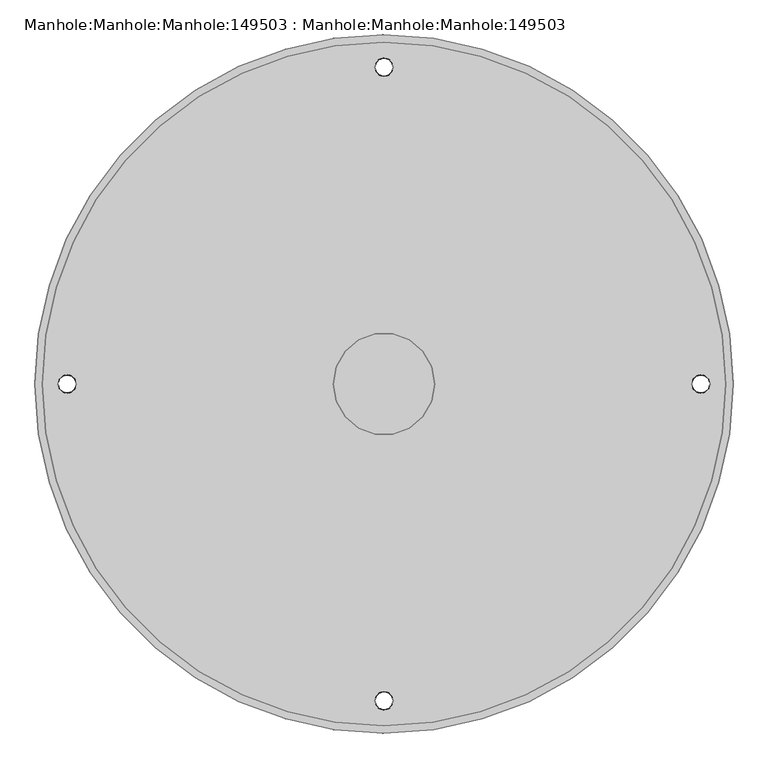
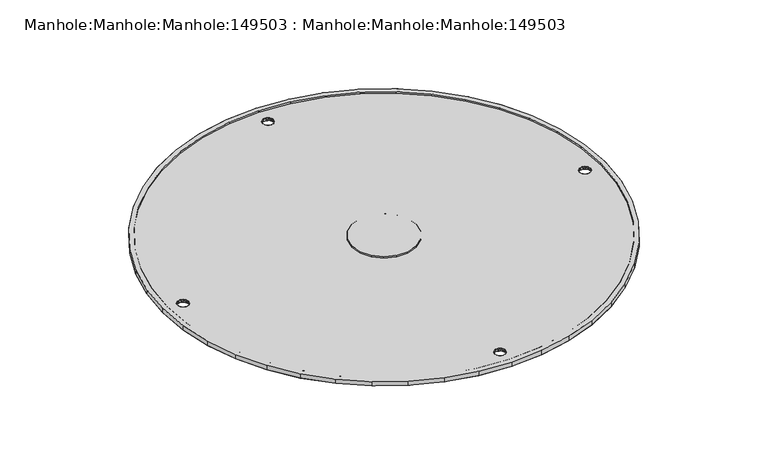
"""IFC4 building model written with IfcOpenShell, lengths in millimetres: proxy geometry, Manhole:Manhole:Manhole:149503 : Manhole:Manhole:Manhole:149503."""

from ifc_helpers import new_model, si_unit, origin, place, context, project, spatial, triangles, source, transform, mapped, element, save


def manhole_manhole_manhole_149503_manhole_manhole_manhole_0952df4f(model_context):
    return source(origin(), model_context, "Body", "Tessellation", [
        triangles([(-93507.5947266, 100197.7538086, 238631.2574707), (-93513.798999, 100284.5113037, 238631.2574707), (-93532.2908936, 100369.5014648, 238631.2574707), (-93562.6797363, 100450.994165, 238631.2574707), (-93604.3702148, 100527.3336914, 238631.2574707), (-93656.4879639, 100596.9573486, 238631.2574707), (-93717.9911865, 100658.4605713, 238631.2574707), (-93787.6241455, 100710.5876221, 238631.2574707), (-93863.9543701, 100752.2687988, 238631.2574707), (-93945.4470703, 100782.6669434, 238631.2574707), (-94030.4372314, 100801.1495361, 238631.2574707), (-94117.1947266, 100807.3538086, 238631.2574707), (-94203.9522217, 100801.1495361, 238631.2574707), (-94288.9423828, 100782.6669434, 238631.2574707), (-94370.435083, 100752.2687988, 238631.2574707), (-94446.7746094, 100710.5876221, 238631.2574707), (-94516.3982666, 100658.4605713, 238631.2574707), (-94577.9014893, 100596.9573486, 238631.2574707), (-94630.0192383, 100527.3336914, 238631.2574707), (-94671.7097168, 100450.994165, 238631.2574707), (-94702.0985596, 100369.5014648, 238631.2574707), (-94720.5904541, 100284.5113037, 238631.2574707), (-94726.7947266, 100197.7538086, 238631.2574707), (-94720.5904541, 100110.9963135, 238631.2574707), (-94702.0985596, 100026.0154541, 238631.2574707), (-94671.7097168, 99944.5227539, 238631.2574707), (-94630.0192383, 99868.1832275, 238631.2574707), (-94577.9014893, 99798.5502686, 238631.2574707), (-94516.3982666, 99737.0470459, 238631.2574707), (-94446.7746094, 99684.9292969, 238631.2574707), (-94370.435083, 99643.2481201, 238631.2574707), (-94288.9423828, 99612.8499756, 238631.2574707), (-94203.9522217, 99594.3580811, 238631.2574707), (-94117.1947266, 99588.1538086, 238631.2574707), (-94030.4372314, 99594.3580811, 238631.2574707), (-93945.4470703, 99612.8499756, 238631.2574707), (-93863.9543701, 99643.2481201, 238631.2574707), (-93787.6241455, 99684.9292969, 238631.2574707), (-93717.9911865, 99737.0470459, 238631.2574707), (-93656.4879639, 99798.5502686, 238631.2574707), (-93604.3702148, 99868.1832275, 238631.2574707), (-93562.6797363, 99944.5227539, 238631.2574707), (-93532.2908936, 100026.0154541, 238631.2574707), (-93513.798999, 100110.9963135, 238631.2574707), (-94714.0978271, 100197.7538086, 238631.2574707), (-94708.0237793, 100282.7067627, 238631.2574707), (-94689.9132568, 100365.9202881, 238631.2574707), (-94660.1569336, 100445.7200684, 238631.2574707), (-94619.3408203, 100520.4596924, 238631.2574707), (-94568.3020752, 100588.6415771, 238631.2574707), (-94508.0824951, 100648.8611572, 238631.2574707), (-94439.9006104, 100699.8999023, 238631.2574707), (-94365.1609863, 100740.7160156, 238631.2574707), (-94285.3612061, 100770.4723389, 238631.2574707), (-94202.1476807, 100788.5828613, 238631.2574707), (-94117.1947266, 100794.6569092, 238631.2574707), (-94032.2510742, 100788.5828613, 238631.2574707), (-93949.0282471, 100770.4723389, 238631.2574707), (-93869.2377686, 100740.7160156, 238631.2574707), (-93794.4888428, 100699.8999023, 238631.2574707), (-93726.306958, 100648.8611572, 238631.2574707), (-93666.0873779, 100588.6415771, 238631.2574707), (-93615.0486328, 100520.4596924, 238631.2574707), (-93574.2325195, 100445.7200684, 238631.2574707), (-93544.4761963, 100365.9202881, 238631.2574707), (-93526.3749756, 100282.7067627, 238631.2574707), (-93520.291626, 100197.7538086, 238631.2574707), (-93526.3749756, 100112.8101563, 238631.2574707), (-93544.4761963, 100029.5873291, 238631.2574707), (-93574.2325195, 99949.7968506, 238631.2574707), (-93615.0486328, 99875.0479248, 238631.2574707), (-93666.0873779, 99806.86604, 238631.2574707), (-93726.306958, 99746.64646, 238631.2574707), (-93794.4888428, 99695.6077148, 238631.2574707), (-93869.2377686, 99654.7916016, 238631.2574707), (-93949.0282471, 99625.0352783, 238631.2574707), (-94032.2510742, 99606.9340576, 238631.2574707), (-94117.1947266, 99600.8600098, 238631.2574707), (-94202.1476807, 99606.9340576, 238631.2574707), (-94285.3612061, 99625.0352783, 238631.2574707), (-94365.1609863, 99654.7916016, 238631.2574707), (-94439.9006104, 99695.6077148, 238631.2574707), (-94508.0824951, 99746.64646, 238631.2574707), (-94568.3020752, 99806.86604, 238631.2574707), (-94619.3408203, 99875.0479248, 238631.2574707), (-94660.1569336, 99949.7968506, 238631.2574707), (-94689.9132568, 100029.5873291, 238631.2574707), (-94708.0237793, 100112.8101563, 238631.2574707), (-94206.091626, 100197.7538086, 238631.2574707), (-94200.7338135, 100167.3463623, 238631.2574707), (-94185.2928955, 100140.6131104, 238631.2574707), (-94161.6478271, 100120.7631592, 238631.2574707), (-94132.6356445, 100110.2056641, 238631.2574707), (-94101.7538086, 100110.2056641, 238631.2574707), (-94072.741626, 100120.7631592, 238631.2574707), (-94049.0965576, 100140.6131104, 238631.2574707), (-94033.6556396, 100167.3463623, 238631.2574707), (-94028.2978271, 100197.7538086, 238631.2574707), (-94033.6556396, 100228.1612549, 238631.2574707), (-94049.0965576, 100254.9038086, 238631.2574707), (-94072.741626, 100274.744458, 238631.2574707), (-94101.7538086, 100285.3019531, 238631.2574707), (-94132.6356445, 100285.3019531, 238631.2574707), (-94161.6478271, 100274.744458, 238631.2574707), (-94185.2928955, 100254.9038086, 238631.2574707), (-94200.7338135, 100228.1612549, 238631.2574707), (-93507.5947266, 100197.7538086, 238618.5512695), (-93513.798999, 100110.9963135, 238618.5512695), (-93532.2908936, 100026.0154541, 238618.5512695), (-93562.6797363, 99944.5227539, 238618.5512695), (-93604.3702148, 99868.1832275, 238618.5512695), (-93656.4879639, 99798.5502686, 238618.5512695), (-93717.9911865, 99737.0470459, 238618.5512695), (-93787.6241455, 99684.9292969, 238618.5512695), (-93863.9543701, 99643.2481201, 238618.5512695), (-93945.4470703, 99612.8499756, 238618.5512695), (-94030.4372314, 99594.3580811, 238618.5512695), (-94117.1947266, 99588.1538086, 238618.5512695), (-94203.9522217, 99594.3580811, 238618.5512695), (-94288.9423828, 99612.8499756, 238618.5512695), (-94370.435083, 99643.2481201, 238618.5512695), (-94446.7746094, 99684.9292969, 238618.5512695), (-94516.3982666, 99737.0470459, 238618.5512695), (-94577.9014893, 99798.5502686, 238618.5512695), (-94630.0192383, 99868.1832275, 238618.5512695), (-94671.7097168, 99944.5227539, 238618.5512695), (-94702.0985596, 100026.0154541, 238618.5512695), (-94720.5904541, 100110.9963135, 238618.5512695), (-94726.7947266, 100197.7538086, 238618.5512695), (-94720.5904541, 100284.5113037, 238618.5512695), (-94702.0985596, 100369.5014648, 238618.5512695), (-94671.7097168, 100450.994165, 238618.5512695), (-94630.0192383, 100527.3336914, 238618.5512695), (-94577.9014893, 100596.9573486, 238618.5512695), (-94516.3982666, 100658.4605713, 238618.5512695), (-94446.7746094, 100710.5876221, 238618.5512695), (-94370.435083, 100752.2687988, 238618.5512695), (-94288.9423828, 100782.6669434, 238618.5512695), (-94203.9522217, 100801.1495361, 238618.5512695), (-94117.1947266, 100807.3538086, 238618.5512695), (-94030.4372314, 100801.1495361, 238618.5512695), (-93945.4470703, 100782.6669434, 238618.5512695), (-93863.9543701, 100752.2687988, 238618.5512695), (-93787.6241455, 100710.5876221, 238618.5512695), (-93717.9911865, 100658.4605713, 238618.5512695), (-93656.4879639, 100596.9573486, 238618.5512695), (-93604.3702148, 100527.3336914, 238618.5512695), (-93562.6797363, 100450.994165, 238618.5512695), (-93532.2908936, 100369.5014648, 238618.5512695), (-93513.798999, 100284.5113037, 238618.5512695), (-94101.1864014, 99644.4108398, 238618.5512695), (-94102.7677002, 99651.3592529, 238618.5512695), (-94107.2139404, 99656.9217041, 238618.5512695), (-94113.6321533, 99660.0191895, 238618.5512695), (-94120.7572998, 99660.0191895, 238618.5512695), (-94127.1755127, 99656.9217041, 238618.5512695), (-94131.6217529, 99651.3592529, 238618.5512695), (-94133.2030518, 99644.4108398, 238618.5512695), (-94131.6217529, 99637.4624268, 238618.5512695), (-94127.1755127, 99631.8906738, 238618.5512695), (-94120.7572998, 99628.8024902, 238618.5512695), (-94113.6321533, 99628.8024902, 238618.5512695), (-94107.2139404, 99631.8906738, 238618.5512695), (-94102.7677002, 99637.4624268, 238618.5512695), (-94101.1864014, 100751.1060791, 238618.5512695), (-94102.7677002, 100758.0451904, 238618.5512695), (-94107.2139404, 100763.6169434, 238618.5512695), (-94113.6321533, 100766.7144287, 238618.5512695), (-94120.7572998, 100766.7144287, 238618.5512695), (-94127.1755127, 100763.6169434, 238618.5512695), (-94131.6217529, 100758.0451904, 238618.5512695), (-94133.2030518, 100751.1060791, 238618.5512695), (-94131.6217529, 100744.157666, 238618.5512695), (-94127.1755127, 100738.5859131, 238618.5512695), (-94120.7572998, 100735.4884277, 238618.5512695), (-94113.6321533, 100735.4884277, 238618.5512695), (-94107.2139404, 100738.5859131, 238618.5512695), (-94102.7677002, 100744.157666, 238618.5512695), (-94654.5293701, 100197.7538086, 238618.5512695), (-94656.1199707, 100204.7022217, 238618.5512695), (-94660.5569092, 100210.2739746, 238618.5512695), (-94666.9751221, 100213.3621582, 238618.5512695), (-94674.1002686, 100213.3621582, 238618.5512695), (-94680.5277832, 100210.2739746, 238618.5512695), (-94684.9647217, 100204.7022217, 238618.5512695), (-94686.5553223, 100197.7538086, 238618.5512695), (-94684.9647217, 100190.8053955, 238618.5512695), (-94680.5277832, 100185.2336426, 238618.5512695), (-94674.1002686, 100182.145459, 238618.5512695), (-94666.9751221, 100182.145459, 238618.5512695), (-94660.5569092, 100185.2336426, 238618.5512695), (-94656.1199707, 100190.8053955, 238618.5512695), (-93579.860083, 100197.7538086, 238618.5512695), (-93578.2694824, 100190.8053955, 238618.5512695), (-93573.8325439, 100185.2336426, 238618.5512695), (-93567.4143311, 100182.145459, 238618.5512695), (-93560.2891846, 100182.145459, 238618.5512695), (-93553.8616699, 100185.2336426, 238618.5512695), (-93549.4247314, 100190.8053955, 238618.5512695), (-93547.8341309, 100197.7538086, 238618.5512695), (-93549.4247314, 100204.7022217, 238618.5512695), (-93553.8616699, 100210.2739746, 238618.5512695), (-93560.2891846, 100213.3621582, 238618.5512695), (-93567.4143311, 100213.3621582, 238618.5512695), (-93573.8325439, 100210.2739746, 238618.5512695), (-93578.2694824, 100204.7022217, 238618.5512695), (-94132.1333496, 99648.4105957, 238626.4949707), (-94131.0636475, 99652.4103516, 238626.4949707), (-94106.2558594, 99655.3404053, 238626.4949707), (-94104.9908203, 99654.1404785, 238618.5512695), (-94129.3986328, 99654.1404785, 238618.5512695), (-94132.4124023, 99647.8803955, 238618.5512695), (-94133.2030518, 99644.4108398, 238626.4949707), (-94102.2561035, 99648.4105957, 238626.4949707), (-94101.9770508, 99647.8803955, 238618.5512695), (-94101.1864014, 99644.4108398, 238626.4949707), (-94125.20354, 99658.270459, 238626.4949707), (-94128.1335937, 99655.3404053, 238626.4949707), (-94117.1947266, 99660.419165, 238626.4949707), (-94117.1947266, 99660.0191895, 238618.5512695), (-94110.4230469, 99658.4750977, 238618.5512695), (-94109.1859131, 99658.270459, 238626.4949707), (-94113.1949707, 99659.3494629, 238626.4949707), (-94121.1944824, 99659.3494629, 238626.4949707), (-94123.9664063, 99658.4750977, 238618.5512695), (-94103.3258057, 99652.4103516, 238626.4949707), (-94103.3258057, 99636.4020264, 238626.4949707), (-94102.2561035, 99640.4017822, 238626.4949707), (-94129.3986328, 99634.6718994, 238618.5512695), (-94128.1335937, 99633.4719727, 238626.4949707), (-94104.9908203, 99634.6718994, 238618.5512695), (-94101.9770508, 99640.9319824, 238618.5512695), (-94132.4124023, 99640.9319824, 238618.5512695), (-94132.1333496, 99640.4017822, 238626.4949707), (-94106.2558594, 99633.4719727, 238626.4949707), (-94109.1859131, 99630.5419189, 238626.4949707), (-94117.1947266, 99628.8024902, 238618.5512695), (-94117.1947266, 99628.4025146, 238626.4949707), (-94125.20354, 99630.5419189, 238626.4949707), (-94123.9664063, 99630.346582, 238618.5512695), (-94121.1944824, 99629.4722168, 238626.4949707), (-94113.1949707, 99629.4722168, 238626.4949707), (-94110.4230469, 99630.346582, 238618.5512695), (-94131.0636475, 99636.4020264, 238626.4949707), (-94131.0636475, 100759.1055908, 238626.4949707), (-94132.1333496, 100755.105835, 238626.4949707), (-94104.9908203, 100760.8357178, 238618.5512695), (-94106.2558594, 100762.0356445, 238626.4949707), (-94129.3986328, 100760.8357178, 238618.5512695), (-94133.2030518, 100751.1060791, 238626.4949707), (-94132.4124023, 100754.5756348, 238618.5512695), (-94101.1864014, 100751.1060791, 238626.4949707), (-94101.9770508, 100754.5756348, 238618.5512695), (-94102.2561035, 100755.105835, 238626.4949707), (-94128.1335937, 100762.0356445, 238626.4949707), (-94125.20354, 100764.9656982, 238626.4949707), (-94117.1947266, 100766.7144287, 238618.5512695), (-94117.1947266, 100767.1144043, 238626.4949707), (-94109.1859131, 100764.9656982, 238626.4949707), (-94110.4230469, 100765.1610352, 238618.5512695), (-94113.1949707, 100766.0447021, 238626.4949707), (-94121.1944824, 100766.0447021, 238626.4949707), (-94123.9664063, 100765.1610352, 238618.5512695), (-94103.3258057, 100759.1055908, 238626.4949707), (-94102.2561035, 100747.0970215, 238626.4949707), (-94103.3258057, 100743.0972656, 238626.4949707), (-94128.1335937, 100740.1672119, 238626.4949707), (-94129.3986328, 100741.3671387, 238618.5512695), (-94104.9908203, 100741.3671387, 238618.5512695), (-94101.9770508, 100747.6272217, 238618.5512695), (-94132.1333496, 100747.0970215, 238626.4949707), (-94132.4124023, 100747.6272217, 238618.5512695), (-94109.1859131, 100737.2371582, 238626.4949707), (-94106.2558594, 100740.1672119, 238626.4949707), (-94117.1947266, 100735.0884521, 238626.4949707), (-94117.1947266, 100735.4884277, 238618.5512695), (-94123.9664063, 100737.0418213, 238618.5512695), (-94125.20354, 100737.2371582, 238626.4949707), (-94121.1944824, 100736.1674561, 238626.4949707), (-94113.1949707, 100736.1674561, 238626.4949707), (-94110.4230469, 100737.0418213, 238618.5512695), (-94131.0636475, 100743.0972656, 238626.4949707), (-94684.4066162, 100205.7626221, 238626.4949707), (-94685.4763184, 100201.7535645, 238626.4949707), (-94659.6081299, 100208.6926758, 238626.4949707), (-94658.3337891, 100207.4834473, 238618.5512695), (-94682.7416016, 100207.4834473, 238618.5512695), (-94686.5553223, 100197.7538086, 238626.4949707), (-94685.7553711, 100201.232666, 238618.5512695), (-94655.608374, 100201.7535645, 238626.4949707), (-94655.3200195, 100201.232666, 238618.5512695), (-94654.5293701, 100197.7538086, 238626.4949707), (-94681.4765625, 100208.6926758, 238626.4949707), (-94678.5465088, 100211.6227295, 238626.4949707), (-94670.5376953, 100213.3621582, 238618.5512695), (-94670.5376953, 100213.7621338, 238626.4949707), (-94663.7660156, 100211.8180664, 238618.5512695), (-94662.5381836, 100211.6227295, 238626.4949707), (-94666.5379395, 100212.6924316, 238626.4949707), (-94674.5467529, 100212.6924316, 238626.4949707), (-94677.3186768, 100211.8180664, 238618.5512695), (-94656.6780762, 100205.7626221, 238626.4949707), (-94655.608374, 100193.7540527, 238626.4949707), (-94656.6780762, 100189.7542969, 238626.4949707), (-94682.7416016, 100188.0241699, 238618.5512695), (-94681.4765625, 100186.8242432, 238626.4949707), (-94658.3337891, 100188.0241699, 238618.5512695), (-94655.3200195, 100194.2842529, 238618.5512695), (-94685.7553711, 100194.2842529, 238618.5512695), (-94685.4763184, 100193.7540527, 238626.4949707), (-94662.5381836, 100183.8941895, 238626.4949707), (-94659.6081299, 100186.8242432, 238626.4949707), (-94670.5376953, 100182.145459, 238618.5512695), (-94670.5376953, 100181.7454834, 238626.4949707), (-94678.5465088, 100183.8941895, 238626.4949707), (-94677.3186768, 100183.6895508, 238618.5512695), (-94674.5467529, 100182.8151855, 238626.4949707), (-94666.5379395, 100182.8151855, 238626.4949707), (-94663.7660156, 100183.6895508, 238618.5512695), (-94684.4066162, 100189.7542969, 238626.4949707), (-93549.9828369, 100189.7542969, 238626.4949707), (-93548.9131348, 100193.7540527, 238626.4949707), (-93574.7813232, 100186.8242432, 238626.4949707), (-93576.0556641, 100188.0241699, 238618.5512695), (-93551.6478516, 100188.0241699, 238618.5512695), (-93547.8341309, 100197.7538086, 238626.4949707), (-93548.634082, 100194.2842529, 238618.5512695), (-93578.7903809, 100193.7540527, 238626.4949707), (-93579.0694336, 100194.2842529, 238618.5512695), (-93579.860083, 100197.7538086, 238626.4949707), (-93552.9128906, 100186.8242432, 238626.4949707), (-93555.8429443, 100183.8941895, 238626.4949707), (-93563.8517578, 100182.145459, 238618.5512695), (-93563.8517578, 100181.7454834, 238626.4949707), (-93570.6234375, 100183.6895508, 238618.5512695), (-93571.8512695, 100183.8941895, 238626.4949707), (-93567.8515137, 100182.8151855, 238626.4949707), (-93559.8427002, 100182.8151855, 238626.4949707), (-93557.0800781, 100183.6895508, 238618.5512695), (-93577.711377, 100189.7542969, 238626.4949707), (-93578.7903809, 100201.7535645, 238626.4949707), (-93577.711377, 100205.7626221, 238626.4949707), (-93551.6478516, 100207.4834473, 238618.5512695), (-93552.9128906, 100208.6926758, 238626.4949707), (-93576.0556641, 100207.4834473, 238618.5512695), (-93579.0694336, 100201.232666, 238618.5512695), (-93548.634082, 100201.232666, 238618.5512695), (-93548.9131348, 100201.7535645, 238626.4949707), (-93571.8512695, 100211.6227295, 238626.4949707), (-93574.7813232, 100208.6926758, 238626.4949707), (-93563.8517578, 100213.3621582, 238618.5512695), (-93563.8517578, 100213.7621338, 238626.4949707), (-93555.8429443, 100211.6227295, 238626.4949707), (-93557.0800781, 100211.8180664, 238618.5512695), (-93559.8427002, 100212.6924316, 238626.4949707), (-93567.8515137, 100212.6924316, 238626.4949707), (-93570.6234375, 100211.8180664, 238618.5512695), (-93549.9828369, 100205.7626221, 238626.4949707), (-93520.291626, 100197.7538086, 238626.4949707), (-93526.3749756, 100282.7067627, 238626.4949707), (-93544.4761963, 100365.9202881, 238626.4949707), (-93574.2325195, 100445.7200684, 238626.4949707), (-93615.0486328, 100520.4596924, 238626.4949707), (-93666.0873779, 100588.6415771, 238626.4949707), (-93726.306958, 100648.8611572, 238626.4949707), (-93794.4888428, 100699.8999023, 238626.4949707), (-93869.2377686, 100740.7160156, 238626.4949707), (-93949.0282471, 100770.4723389, 238626.4949707), (-94032.2510742, 100788.5828613, 238626.4949707), (-94117.1947266, 100794.6569092, 238626.4949707), (-94202.1476807, 100788.5828613, 238626.4949707), (-94285.3612061, 100770.4723389, 238626.4949707), (-94365.1609863, 100740.7160156, 238626.4949707), (-94439.9006104, 100699.8999023, 238626.4949707), (-94508.0824951, 100648.8611572, 238626.4949707), (-94568.3020752, 100588.6415771, 238626.4949707), (-94619.3408203, 100520.4596924, 238626.4949707), (-94660.1569336, 100445.7200684, 238626.4949707), (-94689.9132568, 100365.9202881, 238626.4949707), (-94708.0237793, 100282.7067627, 238626.4949707), (-94714.0978271, 100197.7538086, 238626.4949707), (-94708.0237793, 100112.8101563, 238626.4949707), (-94689.9132568, 100029.5873291, 238626.4949707), (-94660.1569336, 99949.7968506, 238626.4949707), (-94619.3408203, 99875.0479248, 238626.4949707), (-94568.3020752, 99806.86604, 238626.4949707), (-94508.0824951, 99746.64646, 238626.4949707), (-94439.9006104, 99695.6077148, 238626.4949707), (-94365.1609863, 99654.7916016, 238626.4949707), (-94285.3612061, 99625.0352783, 238626.4949707), (-94202.1476807, 99606.9340576, 238626.4949707), (-94117.1947266, 99600.8600098, 238626.4949707), (-94032.2510742, 99606.9340576, 238626.4949707), (-93949.0282471, 99625.0352783, 238626.4949707), (-93869.2377686, 99654.7916016, 238626.4949707), (-93794.4888428, 99695.6077148, 238626.4949707), (-93726.306958, 99746.64646, 238626.4949707), (-93666.0873779, 99806.86604, 238626.4949707), (-93615.0486328, 99875.0479248, 238626.4949707), (-93574.2325195, 99949.7968506, 238626.4949707), (-93544.4761963, 100029.5873291, 238626.4949707), (-93526.3749756, 100112.8101563, 238626.4949707), (-94028.2978271, 100197.7538086, 238626.4949707), (-94033.6556396, 100167.3463623, 238626.4949707), (-94049.0965576, 100140.6131104, 238626.4949707), (-94072.741626, 100120.7631592, 238626.4949707), (-94101.7538086, 100110.2056641, 238626.4949707), (-94132.6356445, 100110.2056641, 238626.4949707), (-94161.6478271, 100120.7631592, 238626.4949707), (-94185.2928955, 100140.6131104, 238626.4949707), (-94200.7338135, 100167.3463623, 238626.4949707), (-94206.091626, 100197.7538086, 238626.4949707), (-94200.7338135, 100228.1612549, 238626.4949707), (-94185.2928955, 100254.9038086, 238626.4949707), (-94161.6478271, 100274.744458, 238626.4949707), (-94132.6356445, 100285.3019531, 238626.4949707), (-94101.7538086, 100285.3019531, 238626.4949707), (-94072.741626, 100274.744458, 238626.4949707), (-94049.0965576, 100254.9038086, 238626.4949707), (-94033.6556396, 100228.1612549, 238626.4949707)], [[38, 74, 75], [74, 38, 39], [39, 40, 73], [39, 73, 74], [35, 36, 77], [77, 36, 76], [35, 77, 78], [76, 37, 75], [37, 76, 36], [75, 37, 38], [73, 40, 72], [43, 44, 68], [44, 67, 68], [67, 44, 1], [67, 1, 66], [43, 68, 69], [72, 41, 71], [41, 72, 40], [71, 41, 42], [42, 69, 70], [69, 42, 43], [42, 70, 71], [33, 34, 79], [79, 80, 33], [78, 79, 34], [34, 35, 78], [33, 80, 32], [32, 81, 31], [81, 32, 80], [31, 81, 82], [29, 30, 83], [82, 30, 31], [82, 83, 30], [84, 29, 83], [29, 84, 28], [85, 27, 28], [27, 85, 86], [85, 28, 84], [25, 26, 87], [86, 26, 27], [87, 26, 86], [88, 24, 25], [24, 88, 45], [88, 25, 87], [66, 2, 65], [2, 66, 1], [64, 65, 3], [3, 65, 2], [64, 3, 4], [4, 63, 64], [63, 4, 5], [63, 5, 62], [62, 6, 61], [6, 62, 5], [61, 6, 7], [60, 7, 8], [8, 9, 59], [59, 9, 58], [8, 59, 60], [58, 10, 57], [10, 58, 9], [57, 10, 11], [56, 11, 12], [11, 56, 57], [56, 12, 55], [60, 61, 7], [48, 20, 21], [20, 48, 19], [19, 49, 18], [18, 49, 50], [49, 19, 48], [45, 46, 23], [23, 46, 22], [45, 23, 24], [22, 47, 21], [47, 22, 46], [21, 47, 48], [53, 54, 14], [13, 14, 54], [13, 55, 12], [13, 54, 55], [53, 14, 15], [50, 17, 18], [50, 51, 17], [17, 51, 16], [52, 15, 16], [15, 52, 53], [52, 16, 51], [103, 104, 105], [105, 106, 103], [89, 103, 106], [102, 103, 101], [103, 100, 101], [100, 103, 99], [99, 103, 98], [103, 89, 90], [97, 90, 91], [92, 93, 91], [94, 91, 93], [103, 97, 98], [96, 94, 95], [96, 97, 91], [94, 96, 91], [97, 103, 90], [148, 206, 147], [149, 205, 148], [150, 203, 204], [203, 150, 202], [149, 150, 205], [146, 147, 206], [142, 143, 177], [143, 144, 177], [176, 145, 146], [144, 145, 176], [178, 141, 142], [204, 205, 150], [202, 107, 201], [107, 202, 150], [201, 107, 200], [199, 200, 107], [198, 199, 107], [198, 108, 197], [206, 176, 146], [205, 206, 148], [196, 197, 108], [154, 193, 194], [194, 195, 110], [176, 206, 193], [198, 107, 108], [193, 179, 175], [140, 167, 168], [140, 141, 167], [140, 168, 169], [165, 166, 141], [178, 165, 141], [141, 166, 167], [173, 138, 139], [170, 140, 169], [139, 140, 170], [171, 172, 139], [170, 171, 139], [172, 173, 139], [174, 137, 138], [174, 136, 137], [176, 193, 175], [136, 174, 175], [144, 176, 177], [174, 138, 173], [175, 134, 135], [135, 136, 175], [133, 134, 180], [133, 180, 132], [181, 131, 132], [130, 131, 181], [175, 180, 134], [178, 142, 177], [195, 196, 108], [195, 109, 110], [194, 110, 111], [154, 194, 112], [112, 194, 111], [154, 112, 113], [154, 114, 153], [153, 114, 115], [155, 193, 154], [193, 155, 179], [153, 115, 116], [154, 113, 114], [122, 155, 156], [151, 152, 117], [164, 151, 117], [164, 117, 163], [117, 152, 116], [163, 117, 118], [152, 153, 116], [158, 159, 119], [157, 158, 119], [162, 118, 161], [118, 162, 163], [160, 161, 118], [160, 119, 159], [119, 160, 118], [156, 157, 120], [182, 130, 181], [181, 132, 180], [179, 155, 192], [191, 192, 126], [179, 180, 175], [184, 185, 129], [184, 129, 130], [186, 187, 129], [188, 129, 187], [186, 129, 185], [184, 130, 183], [182, 183, 130], [123, 124, 155], [155, 124, 192], [123, 155, 122], [156, 121, 122], [192, 124, 125], [189, 190, 128], [188, 189, 128], [128, 191, 127], [190, 191, 128], [126, 127, 191], [125, 126, 192], [188, 128, 129], [156, 120, 121], [119, 120, 157], [195, 108, 109], [27, 26, 126], [126, 125, 27], [26, 25, 127], [127, 126, 26], [28, 27, 125], [125, 124, 28], [32, 31, 121], [121, 120, 32], [33, 32, 120], [120, 119, 33], [30, 29, 123], [123, 122, 30], [31, 30, 122], [122, 121, 31], [29, 28, 124], [124, 123, 29], [34, 33, 118], [119, 118, 33], [127, 25, 24], [24, 128, 127], [128, 24, 23], [23, 129, 128], [38, 37, 115], [115, 114, 38], [36, 35, 116], [117, 116, 35], [37, 36, 116], [116, 115, 37], [39, 38, 114], [114, 113, 39], [43, 42, 110], [110, 109, 43], [44, 43, 109], [109, 108, 44], [41, 40, 112], [112, 111, 41], [42, 41, 111], [111, 110, 42], [40, 39, 113], [113, 112, 40], [1, 44, 107], [108, 107, 44], [118, 117, 35], [35, 34, 118], [1, 107, 2], [150, 2, 107], [3, 149, 148], [148, 4, 3], [2, 150, 3], [149, 3, 150], [4, 148, 147], [147, 5, 4], [11, 10, 141], [142, 141, 10], [6, 146, 145], [145, 7, 6], [12, 11, 141], [141, 140, 12], [5, 147, 6], [146, 6, 147], [7, 145, 8], [144, 8, 145], [144, 143, 9], [9, 8, 144], [10, 9, 143], [143, 142, 10], [16, 15, 137], [137, 136, 16], [14, 13, 139], [139, 138, 14], [15, 14, 138], [138, 137, 15], [17, 16, 136], [136, 135, 17], [21, 20, 132], [132, 131, 21], [22, 21, 131], [131, 130, 22], [19, 18, 134], [134, 133, 19], [20, 19, 133], [133, 132, 20], [18, 17, 135], [135, 134, 18], [23, 22, 129], [130, 129, 22], [140, 139, 12], [13, 12, 139], [207, 157, 208], [209, 153, 210], [208, 157, 211], [158, 212, 213], [214, 215, 216], [156, 217, 218], [154, 219, 220], [155, 220, 219], [221, 153, 222], [211, 218, 208], [212, 157, 207], [212, 207, 213], [222, 223, 221], [155, 219, 224], [214, 152, 215], [217, 225, 224], [211, 156, 218], [209, 222, 153], [221, 223, 154], [155, 224, 225], [209, 210, 226], [214, 226, 152], [223, 219, 154], [151, 216, 215], [152, 226, 210], [217, 156, 225], [227, 164, 228], [229, 160, 230], [231, 164, 227], [216, 232, 151], [213, 233, 234], [235, 236, 163], [161, 237, 238], [162, 238, 237], [239, 160, 240], [227, 235, 231], [228, 164, 232], [216, 228, 232], [240, 241, 239], [242, 238, 162], [233, 159, 234], [242, 243, 236], [235, 163, 231], [160, 239, 230], [161, 241, 240], [243, 242, 162], [244, 229, 230], [159, 244, 234], [161, 238, 241], [233, 213, 158], [229, 244, 159], [243, 163, 236], [245, 171, 246], [247, 167, 248], [249, 171, 245], [250, 251, 172], [252, 253, 254], [255, 256, 170], [258, 168, 257], [257, 169, 258], [259, 167, 260], [245, 255, 249], [246, 171, 251], [250, 246, 251], [260, 261, 259], [262, 258, 169], [253, 166, 254], [262, 263, 256], [255, 170, 249], [167, 259, 248], [168, 261, 260], [263, 262, 169], [264, 247, 248], [166, 264, 254], [168, 258, 261], [253, 252, 165], [247, 264, 166], [263, 170, 256], [265, 178, 266], [267, 174, 268], [266, 178, 269], [165, 270, 252], [271, 272, 250], [177, 273, 274], [175, 275, 276], [176, 276, 275], [277, 174, 278], [269, 274, 266], [270, 178, 265], [270, 265, 252], [278, 279, 277], [176, 275, 280], [271, 173, 272], [273, 281, 280], [269, 177, 274], [267, 278, 174], [277, 279, 175], [176, 280, 281], [267, 268, 282], [271, 282, 173], [279, 275, 175], [172, 250, 272], [173, 282, 268], [273, 177, 281], [283, 185, 284], [285, 181, 286], [287, 185, 283], [288, 289, 186], [290, 291, 292], [293, 294, 184], [182, 295, 296], [183, 296, 295], [297, 181, 298], [283, 293, 287], [284, 185, 289], [288, 284, 289], [298, 299, 297], [300, 296, 183], [290, 180, 291], [300, 301, 294], [293, 184, 287], [285, 298, 181], [297, 299, 182], [301, 300, 183], [285, 286, 302], [290, 302, 180], [299, 296, 182], [291, 179, 292], [180, 302, 286], [301, 184, 294], [303, 192, 304], [305, 188, 306], [304, 192, 307], [179, 308, 292], [288, 309, 310], [191, 311, 312], [189, 313, 314], [190, 314, 313], [315, 188, 316], [307, 312, 304], [308, 192, 303], [308, 303, 292], [316, 317, 315], [190, 314, 318], [309, 187, 310], [311, 319, 318], [307, 191, 312], [188, 315, 306], [189, 317, 316], [190, 318, 319], [320, 305, 306], [187, 320, 310], [189, 314, 317], [309, 288, 186], [305, 320, 187], [311, 191, 319], [321, 199, 322], [323, 195, 324], [325, 199, 321], [326, 327, 200], [328, 329, 330], [331, 332, 198], [196, 333, 334], [197, 334, 333], [335, 195, 336], [321, 331, 325], [322, 199, 327], [326, 322, 327], [336, 337, 335], [338, 334, 197], [328, 194, 329], [338, 339, 332], [331, 198, 325], [323, 336, 195], [335, 337, 196], [339, 338, 197], [323, 324, 340], [328, 340, 194], [337, 334, 196], [193, 330, 329], [194, 340, 324], [339, 198, 332], [341, 206, 342], [343, 202, 344], [342, 206, 345], [330, 193, 346], [326, 347, 348], [205, 349, 350], [203, 351, 352], [204, 352, 351], [353, 202, 354], [345, 350, 342], [346, 206, 341], [346, 341, 330], [354, 355, 353], [204, 352, 356], [347, 201, 348], [349, 357, 356], [345, 205, 350], [202, 353, 344], [203, 355, 354], [204, 356, 357], [358, 343, 344], [201, 358, 348], [203, 352, 355], [347, 326, 200], [343, 358, 201], [349, 205, 357], [399, 405, 398], [399, 404, 405], [336, 401, 402], [334, 402, 332], [400, 401, 340], [399, 400, 404], [394, 226, 393], [395, 222, 394], [396, 397, 406], [405, 406, 397], [397, 398, 405], [396, 406, 395], [406, 222, 395], [334, 336, 402], [332, 359, 321], [359, 332, 402], [321, 359, 326], [358, 326, 359], [352, 353, 360], [358, 359, 353], [359, 360, 353], [340, 330, 404], [340, 404, 400], [420, 330, 342], [404, 330, 403], [361, 342, 349], [420, 403, 330], [401, 336, 340], [349, 352, 360], [392, 236, 238], [236, 392, 227], [392, 238, 239], [216, 393, 226], [394, 222, 226], [216, 227, 393], [392, 393, 227], [390, 391, 208], [244, 392, 239], [391, 392, 244], [208, 217, 390], [244, 213, 391], [208, 391, 213], [390, 217, 389], [217, 409, 389], [407, 219, 222], [408, 219, 407], [217, 219, 408], [409, 217, 408], [387, 409, 410], [389, 409, 388], [385, 410, 411], [410, 386, 387], [387, 388, 409], [385, 411, 384], [304, 383, 384], [386, 410, 385], [311, 382, 383], [411, 304, 384], [407, 222, 406], [342, 361, 362], [420, 342, 362], [419, 363, 364], [420, 362, 363], [364, 365, 419], [420, 363, 419], [419, 365, 418], [418, 273, 417], [416, 417, 275], [275, 417, 273], [418, 367, 273], [367, 418, 366], [366, 418, 365], [266, 273, 368], [252, 266, 369], [369, 264, 252], [370, 259, 264], [264, 369, 370], [369, 266, 368], [273, 367, 368], [372, 278, 282], [416, 275, 278], [258, 370, 256], [370, 258, 259], [245, 256, 370], [370, 371, 245], [250, 245, 371], [371, 282, 250], [304, 311, 383], [411, 292, 304], [311, 314, 382], [413, 292, 412], [292, 413, 302], [379, 298, 302], [315, 320, 381], [314, 315, 382], [283, 294, 381], [288, 381, 320], [381, 288, 283], [294, 380, 381], [315, 381, 382], [378, 302, 413], [412, 292, 411], [416, 278, 415], [375, 414, 415], [373, 415, 278], [374, 415, 373], [373, 278, 372], [282, 371, 372], [375, 415, 374], [298, 380, 296], [298, 379, 380], [296, 380, 294], [377, 378, 413], [378, 379, 302], [414, 376, 377], [414, 375, 376], [413, 414, 377], [349, 360, 361], [413, 412, 89], [89, 106, 413], [415, 414, 105], [105, 104, 415], [414, 413, 106], [106, 105, 414], [416, 415, 104], [104, 103, 416], [417, 416, 103], [103, 102, 417], [418, 417, 102], [102, 101, 418], [420, 419, 100], [100, 99, 420], [419, 418, 101], [101, 100, 419], [403, 420, 99], [99, 98, 403], [404, 403, 98], [98, 97, 404], [406, 405, 96], [96, 95, 406], [405, 404, 97], [97, 96, 405], [407, 406, 95], [95, 94, 407], [408, 407, 94], [94, 93, 408], [409, 408, 93], [93, 92, 409], [411, 410, 91], [91, 90, 411], [410, 409, 92], [92, 91, 410], [412, 411, 90], [90, 89, 412], [87, 88, 382], [382, 383, 87], [384, 86, 87], [87, 383, 384], [88, 45, 381], [381, 382, 88], [385, 85, 86], [86, 384, 385], [387, 83, 84], [84, 386, 387], [386, 84, 85], [85, 385, 386], [391, 79, 80], [80, 390, 391], [390, 80, 81], [81, 389, 390], [389, 81, 82], [82, 388, 389], [388, 82, 83], [83, 387, 388], [79, 391, 392], [392, 78, 79], [394, 76, 77], [77, 393, 394], [397, 73, 74], [74, 396, 397], [396, 74, 75], [75, 395, 396], [395, 75, 76], [76, 394, 395], [400, 70, 71], [71, 399, 400], [399, 71, 72], [72, 398, 399], [359, 67, 68], [68, 402, 359], [402, 68, 69], [69, 401, 402], [401, 69, 70], [70, 400, 401], [398, 72, 73], [73, 397, 398], [78, 392, 393], [393, 77, 78], [62, 63, 363], [363, 364, 62], [64, 65, 361], [361, 362, 64], [65, 66, 360], [360, 361, 65], [63, 64, 362], [362, 363, 63], [59, 60, 366], [366, 367, 59], [60, 61, 365], [365, 366, 60], [369, 57, 368], [58, 368, 57], [368, 58, 59], [59, 367, 368], [61, 62, 364], [364, 365, 61], [370, 56, 369], [57, 369, 56], [359, 360, 67], [66, 67, 360], [372, 54, 55], [55, 371, 372], [375, 51, 52], [52, 374, 375], [374, 52, 53], [53, 373, 374], [373, 53, 54], [54, 372, 373], [378, 48, 49], [49, 377, 378], [377, 49, 50], [50, 376, 377], [381, 45, 380], [46, 380, 45], [380, 46, 47], [47, 379, 380], [379, 47, 48], [48, 378, 379], [376, 50, 51], [51, 375, 376], [56, 370, 55], [371, 55, 370]], closed=False),
    ])


if __name__ == "__main__":
    model = new_model("IFC4")
    model_context = context("Model", 3, world=origin())
    ifc_project = project(units=[si_unit("LENGTHUNIT", "METRE", prefix="MILLI")], contexts=[model_context])
    site = spatial("IfcSite", under=ifc_project)
    building = spatial("IfcBuilding", under=site)
    placement = place(None, origin())
    manhole_manhole_manhole_149503_manhole_manhole_manhole_shape = manhole_manhole_manhole_149503_manhole_manhole_manhole_0952df4f(model_context)
    element("IfcBuildingElementProxy", 1, Name="Manhole:Manhole:Manhole:149503 : Manhole:Manhole:Manhole:149503", ObjectType="Manhole:Manhole:Manhole:149503 : Manhole:Manhole:Manhole:149503", at=placement, inside=building, context=model_context, shape_type="MappedRepresentation", body=[
        mapped(manhole_manhole_manhole_149503_manhole_manhole_manhole_shape, transform((0.0, 0.0, 0.0), x_axis=(1.0, 0.0, 0.0), y_axis=(0.0, 1.0, 0.0), z_axis=(0.0, 0.0, 1.0))),
    ])
    save(model, "model.ifc")
